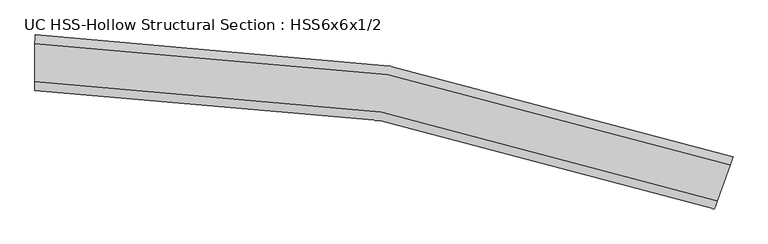
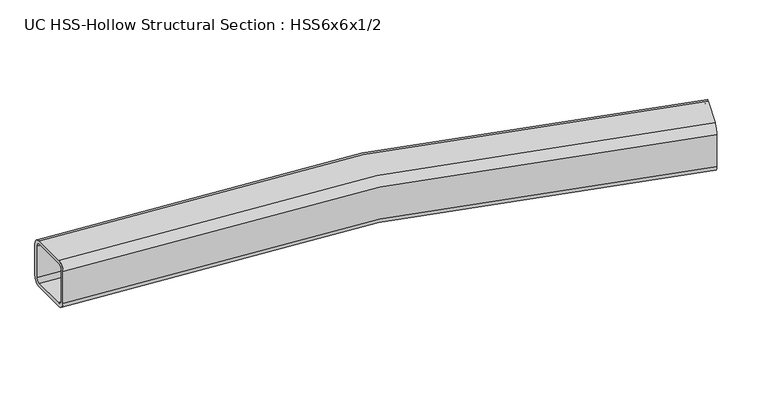
"""IFC4 building model written with IfcOpenShell, lengths in millimetres: beam geometry, UC HSS-Hollow Structural Section : HSS6x6x1/2."""

import ifcopenshell
import ifcopenshell.guid

model = None  # the IFC model being written
_history = None  # IfcOwnerHistory: only IFC2X3 demands one
_inside = {}  # id of a spatial element -> (the spatial element, [elements in it])
_under = {}  # id of a project, library or spatial element -> (it, [spatial elements below it])
_declared = {}  # id of a project -> (the project, [libraries it declares])
_typed = {}  # id of a type object -> (the type object, [elements of that type])
_made_of = {}  # id of a material, layer set ... -> (it, [elements and type objects made of it])


def new_model(schema):
    """Start an empty IFC model of exactly this schema.

    Asked for "IFC4X3", IfcOpenShell would pick the latest addendum, in which some entities
    have other attributes; the version numbers below select the first issue.
    IFC2X3 requires an IfcOwnerHistory on every rooted entity: one is made here for all.
    """
    global model, _history
    if schema == "IFC4X3":
        model = ifcopenshell.file(schema_version=(4, 3, 0, 0))
    else:
        model = ifcopenshell.file(schema=schema)
    _inside.clear()
    _under.clear()
    _declared.clear()
    _typed.clear()
    _made_of.clear()
    _history = None
    if model.schema == "IFC2X3":
        org = make("IfcOrganization", Name="unknown")
        user = make(
            "IfcPersonAndOrganization",
            ThePerson=make("IfcPerson", FamilyName="unknown"),
            TheOrganization=org,
        )
        app = make(
            "IfcApplication",
            ApplicationDeveloper=org,
            Version="unknown",
            ApplicationFullName="unknown",
            ApplicationIdentifier="unknown",
        )
        _history = make(
            "IfcOwnerHistory",
            OwningUser=user,
            OwningApplication=app,
            ChangeAction="ADDED",
            CreationDate=0,
        )
    return model


def make(cls, **values):
    """One entity of the class cls with the attributes given. An attribute that is None is left unset."""
    return model.create_entity(
        cls, **{name: value for name, value in values.items() if value is not None}
    )


def rooted(cls, **values):
    """An entity with a GlobalId (a new one), such as an element, a storey or a relation."""
    return make(cls, GlobalId=ifcopenshell.guid.new(), OwnerHistory=_history, **values)


def si_unit(unit_type, name, prefix=None):
    """IfcSIUnit, for example si_unit("LENGTHUNIT", "METRE", prefix="MILLI")."""
    return make("IfcSIUnit", UnitType=unit_type, Prefix=prefix, Name=name)


def assignment(units):
    """IfcUnitAssignment: the units of a project."""
    return None if units is None else make("IfcUnitAssignment", Units=units)


def point(xyz):
    """IfcCartesianPoint."""
    return None if xyz is None else make("IfcCartesianPoint", Coordinates=xyz)


def direction(xyz):
    """IfcDirection."""
    return None if xyz is None else make("IfcDirection", DirectionRatios=xyz)


def frame(location, z_axis=None, x_axis=None):
    """IfcAxis2Placement3D, a coordinate frame: its origin and axes. An axis left out is left unset."""
    return make(
        "IfcAxis2Placement3D",
        Location=point(location),
        Axis=direction(z_axis),
        RefDirection=direction(x_axis),
    )


def origin():
    """The frame at (0, 0, 0) with its axes left unset."""
    return frame((0.0, 0.0, 0.0))


def place(relative_to, where):
    """IfcLocalPlacement: puts the frame where relative to a parent placement (None: the world)."""
    return make(
        "IfcLocalPlacement", PlacementRelTo=relative_to, RelativePlacement=where
    )


def context(
    kind, dimensions, precision=None, world=None, true_north=None, identifier=None
):
    """IfcGeometricRepresentationContext, for example the 3D "Model" context."""
    return make(
        "IfcGeometricRepresentationContext",
        ContextIdentifier=identifier,
        ContextType=kind,
        CoordinateSpaceDimension=dimensions,
        Precision=precision,
        WorldCoordinateSystem=world,
        TrueNorth=true_north,
    )


def project(units=None, contexts=None):
    """IfcProject with its units and contexts."""
    return rooted(
        "IfcProject",
        Name="project",
        RepresentationContexts=contexts,
        UnitsInContext=assignment(units),
    )


def spatial(cls, under=None, at=None, **own):
    """A site, building, storey or space (cls), placed at a placement, below another one or the project."""
    s = rooted(cls, ObjectPlacement=at, **own)
    if under is not None:
        _under.setdefault(under.id(), (under, []))[1].append(s)
    return s


def polyline(points):
    """IfcPolyline through the points."""
    return make("IfcPolyline", Points=[point(p) for p in points])


def circle_curve(where, radius):
    """IfcCircle in the frame where."""
    return make("IfcCircle", Position=where, Radius=radius)


def ellipse_curve(where, semi_axis1, semi_axis2):
    """IfcEllipse in the frame where."""
    return make(
        "IfcEllipse", Position=where, SemiAxis1=semi_axis1, SemiAxis2=semi_axis2
    )


def trimmed(basis, trim1, trim2, sense, master):
    """IfcTrimmedCurve: the piece of a basis curve between two trims."""
    return make(
        "IfcTrimmedCurve",
        BasisCurve=basis,
        Trim1=trim1,
        Trim2=trim2,
        SenseAgreement=sense,
        MasterRepresentation=master,
    )


def shape(context_of_items, identifier, shape_type, items):
    """IfcShapeRepresentation: the items that make up one representation, for example the "Body"."""
    return make(
        "IfcShapeRepresentation",
        ContextOfItems=context_of_items,
        RepresentationIdentifier=identifier,
        RepresentationType=shape_type,
        Items=items,
    )


def source(mapping_origin, context_of_items, identifier, shape_type, items):
    """IfcRepresentationMap: a shape defined once, which mapped items show again and again."""
    return make(
        "IfcRepresentationMap",
        MappingOrigin=mapping_origin,
        MappedRepresentation=shape(context_of_items, identifier, shape_type, items),
    )


def transform(
    local_origin,
    x_axis=None,
    y_axis=None,
    z_axis=None,
    scale=None,
    scale2=None,
    scale3=None,
    uniform=True,
):
    """IfcCartesianTransformationOperator3D, or its non-uniform kind. x_axis, y_axis, z_axis: its Axis1, 2, 3."""
    if uniform:
        return make(
            "IfcCartesianTransformationOperator3D",
            Axis1=direction(x_axis),
            Axis2=direction(y_axis),
            LocalOrigin=point(local_origin),
            Scale=scale,
            Axis3=direction(z_axis),
        )
    return make(
        "IfcCartesianTransformationOperator3DnonUniform",
        Axis1=direction(x_axis),
        Axis2=direction(y_axis),
        LocalOrigin=point(local_origin),
        Scale=scale,
        Axis3=direction(z_axis),
        Scale2=scale2,
        Scale3=scale3,
    )


def mapped(mapping_source, mapping_target):
    """IfcMappedItem: shows the shape of a source again, moved by a transform."""
    return make(
        "IfcMappedItem", MappingSource=mapping_source, MappingTarget=mapping_target
    )


def made_of(thing, what):
    """Note that an element or type object is made of a material, layer set ...; save() writes the relation."""
    if what is not None:
        _made_of.setdefault(what.id(), (what, []))[1].append(thing)
    return thing


def element(
    cls,
    number,
    at=None,
    inside=None,
    cuts=None,
    type_object=None,
    material=None,
    context=None,
    identifier="Body",
    shape_type=None,
    held_by="IfcProductDefinitionShape",
    body=None,
    shapes=None,
    **own,
):
    """One element of the class cls, such as IfcWall. Its Tag is "e" and its number.

    at: its placement. inside: the storey or other place that contains it. cuts: it is an
    opening in that element (IfcRelVoidsElement). A single representation is given by context,
    identifier, shape_type and body (its items); several are given by shapes. held_by: the class
    of the entity that holds the representations. save() writes the other relations.
    """
    e = rooted(cls, Tag="e%d" % number, ObjectPlacement=at, **own)
    if body is not None:
        shapes = [shape(context, identifier, shape_type, body)]
    if shapes is not None:
        e.Representation = make(held_by, Representations=shapes)
    if inside is not None:
        _inside.setdefault(inside.id(), (inside, []))[1].append(e)
    if cuts is not None:
        rooted(
            "IfcRelVoidsElement", RelatingBuildingElement=cuts, RelatedOpeningElement=e
        )
    if type_object is not None:
        _typed.setdefault(type_object.id(), (type_object, []))[1].append(e)
    return made_of(e, material)


def aggregate(whole, parts):
    """IfcRelAggregates: a whole, such as a stair, and the parts it consists of."""
    return rooted("IfcRelAggregates", RelatingObject=whole, RelatedObjects=parts)


def save(model, path):
    """Write the relations noted so far, then the file.

    IfcRelAggregates (storeys below a building ...), IfcRelContainedInSpatialStructure (elements
    in a storey), IfcRelDefinesByType, IfcRelAssociatesMaterial and IfcRelDeclares: one each for
    every whole, place, type object, material and project.
    """
    for whole, parts in _under.values():
        aggregate(whole, parts)
    for where, things in _inside.values():
        rooted(
            "IfcRelContainedInSpatialStructure",
            RelatedElements=things,
            RelatingStructure=where,
        )
    for kind, things in _typed.values():
        rooted("IfcRelDefinesByType", RelatedObjects=things, RelatingType=kind)
    for what, things in _made_of.values():
        rooted("IfcRelAssociatesMaterial", RelatedObjects=things, RelatingMaterial=what)
    for by, libraries in _declared.values():
        rooted("IfcRelDeclares", RelatingContext=by, RelatedDefinitions=libraries)
    model.write(path)


def plane_surface(at):
    """IfcPlane: the flat surface through the origin of the frame at, square to its z axis."""
    return make("IfcPlane", Position=at)


def cylinder_surface(at, radius):
    """IfcCylindricalSurface: all points at the distance radius from the z axis of the frame at."""
    return make("IfcCylindricalSurface", Position=at, Radius=radius)


def revolved_surface(curve, axis_point, axis_direction):
    """IfcSurfaceOfRevolution: the curve turned about the line through axis_point along axis_direction."""
    return make(
        "IfcSurfaceOfRevolution",
        SweptCurve=make("IfcArbitraryOpenProfileDef", ProfileType="CURVE", Curve=curve),
        AxisPosition=make("IfcAxis1Placement", Location=point(axis_point), Axis=direction(axis_direction)),
    )


def advanced_brep(points, edges, surfaces, faces):
    """IfcAdvancedBrep: a solid bounded by faces that lie on surfaces and meet in shared edges.

    An edge is (start, end): straight between two places in points (the first is 0);
    or (start, end, curve); or (start, end, curve, False) where it runs against its curve.
    A face is (place in surfaces, loops), or (place, loops, False) where it looks against
    its surface's normal. A loop lists edges by number (the first is 1), with a minus sign
    where the edge is run from its end to its start. The first loop is the outer one.
    """
    corners = [point(p) for p in points]
    vertices = [make("IfcVertexPoint", VertexGeometry=c) for c in corners]
    made = []
    for start, end, *more in edges:
        made.append(
            make(
                "IfcEdgeCurve",
                EdgeStart=vertices[start],
                EdgeEnd=vertices[end],
                EdgeGeometry=more[0] if more else make("IfcPolyline", Points=[corners[start], corners[end]]),
                SameSense=more[1] if len(more) > 1 else True,
            )
        )
    hull = []
    for where, loops, *sense in faces:
        bounds = []
        for j, loop in enumerate(loops):
            ring = [make("IfcOrientedEdge", EdgeElement=made[abs(k) - 1], Orientation=k > 0) for k in loop]
            bounds.append(
                make(
                    "IfcFaceOuterBound" if j == 0 else "IfcFaceBound",
                    Bound=make("IfcEdgeLoop", EdgeList=ring),
                    Orientation=True,
                )
            )
        hull.append(make("IfcAdvancedFace", Bounds=bounds, FaceSurface=surfaces[where], SameSense=sense[0] if sense else True))
    return make("IfcAdvancedBrep", Outer=make("IfcClosedShell", CfsFaces=hull))


def uc_hss_hollow_structural_section_hss6x6x1_2_f3c2bc9d(model_context):
    return source(origin(), model_context, "Body", "AdvancedBrep", [
        advanced_brep(
        [(1922.2670403, -258.4320915, 52.578), (1914.2846141, -280.6644947, 76.2), (1878.7499424, -379.634548, 76.2), (1870.7675162, -401.8669513, 52.578), (1870.7675162, -401.8669513, -52.578), (1878.7499424, -379.634548, -76.2), (1914.2846141, -280.6644947, -76.2), (1922.2670403, -258.4320915, -52.578), (1878.7499424, -379.634548, 64.389), (1914.2846141, -280.6644947, 64.389), (1918.2758272, -269.5482931, 52.578), (1918.2758272, -269.5482931, -52.578), (1914.2846141, -280.6644947, -64.389), (1878.7499424, -379.634548, -64.389), (1874.7587293, -390.7507496, -52.578), (1874.7587293, -390.7507496, 52.578), (10.5442773, 76.1902274, 52.578), (10.5442773, 76.1902274, -52.578), (10.500491, 52.568268, -76.2), (10.3055714, -52.5875513, -76.2), (10.2617852, -76.2095107, -52.578), (10.2617852, -76.2095107, 52.578), (10.3055714, -52.5875513, 76.2), (10.500491, 52.568268, 76.2), (10.3055714, -52.5875513, 64.389), (10.2836783, -64.398531, 52.578), (10.2836783, -64.398531, -52.578), (10.3055714, -52.5875513, -64.389), (10.500491, 52.568268, -64.389), (10.5223841, 64.3792477, -52.578), (10.5223841, 64.3792477, 52.578), (10.500491, 52.568268, 64.389)],
        [
            (0, 1, circle_curve(frame((1914.2846141, -280.6644947, 52.578), z_axis=(0.9411736208787442, -0.3379233868230989, 0.0), x_axis=(-0.3379233868230989, -0.9411736208787442, 0.0)), 23.622)),
            (1, 2),
            (2, 3, circle_curve(frame((1878.7499424, -379.634548, 52.578), z_axis=(0.9411736208787442, -0.3379233868230989, 0.0), x_axis=(-0.3379233868230989, -0.9411736208787442, 0.0)), 23.622)),
            (3, 4),
            (4, 5, circle_curve(frame((1878.7499424, -379.634548, -52.578), z_axis=(0.9411736208787442, -0.3379233868230989, 0.0), x_axis=(-0.3379233868230989, -0.9411736208787442, 0.0)), 23.622)),
            (5, 6),
            (6, 7, circle_curve(frame((1914.2846141, -280.6644947, -52.578), z_axis=(0.9411736208787442, -0.3379233868230989, 0.0), x_axis=(-0.3379233868230989, -0.9411736208787442, 0.0)), 23.622)),
            (7, 0),
            (8, 9),
            (9, 10, circle_curve(frame((1914.2846141, -280.6644947, 52.578), z_axis=(-0.9411736208787442, 0.3379233868230989, 0.0), x_axis=(-0.3379233868230989, -0.9411736208787442, 0.0)), 11.811)),
            (10, 11),
            (11, 12, circle_curve(frame((1914.2846141, -280.6644947, -52.578), z_axis=(-0.9411736208787445, 0.33792338682309847, 0.0), x_axis=(-0.33792338682309847, -0.9411736208787445, 0.0)), 11.811)),
            (12, 13),
            (13, 14, circle_curve(frame((1878.7499424, -379.634548, -52.578), z_axis=(-0.9411736208787445, 0.33792338682309847, 0.0), x_axis=(-0.33792338682309847, -0.9411736208787445, 0.0)), 11.811)),
            (14, 15),
            (15, 8, circle_curve(frame((1878.7499424, -379.634548, 52.578), z_axis=(-0.9411736208787442, 0.3379233868230989, 0.0), x_axis=(-0.3379233868230989, -0.9411736208787442, 0.0)), 11.811)),
            (16, 17),
            (17, 18, circle_curve(frame((10.500491, 52.568268, -52.578), z_axis=(-0.9999982820399018, 0.0018536227353744827, 0.0), x_axis=(-0.0018536227353744827, -0.9999982820399018, 0.0)), 23.622)),
            (18, 19),
            (19, 20, circle_curve(frame((10.3055714, -52.5875513, -52.578), z_axis=(-0.9999982820399018, 0.0018536227353744827, 0.0), x_axis=(-0.0018536227353744827, -0.9999982820399018, 0.0)), 23.622)),
            (20, 21),
            (21, 22, circle_curve(frame((10.3055714, -52.5875513, 52.578), z_axis=(-0.9999982820399018, 0.0018536227353744827, 0.0), x_axis=(-0.0018536227353744827, -0.9999982820399018, 0.0)), 23.622)),
            (22, 23),
            (23, 16, circle_curve(frame((10.500491, 52.568268, 52.578), z_axis=(-0.9999982820399018, 0.0018536227353744827, 0.0), x_axis=(-0.0018536227353744827, -0.9999982820399018, 0.0)), 23.622)),
            (24, 25, circle_curve(frame((10.3055714, -52.5875513, 52.578), z_axis=(0.9999982820399018, -0.0018536227353744827, 0.0), x_axis=(-0.0018536227353744827, -0.9999982820399018, 0.0)), 11.811)),
            (25, 26),
            (26, 27, circle_curve(frame((10.3055714, -52.5875513, -52.578), z_axis=(0.9999982820399018, -0.0018536227353744827, 0.0), x_axis=(-0.0018536227353744827, -0.9999982820399018, 0.0)), 11.811)),
            (27, 28),
            (28, 29, circle_curve(frame((10.500491, 52.568268, -52.578), z_axis=(0.9999982820399018, -0.0018536227353744827, 0.0), x_axis=(-0.0018536227353744827, -0.9999982820399018, 0.0)), 11.811)),
            (29, 30),
            (30, 31, circle_curve(frame((10.500491, 52.568268, 52.578), z_axis=(0.9999982820399018, -0.0018536227353744827, 0.0), x_axis=(-0.0018536227353744827, -0.9999982820399018, 0.0)), 11.811)),
            (31, 24),
            (0, 16, circle_curve(frame((0.0, -5612.2699766, 52.578), z_axis=(0.0, 0.0, 1.0), x_axis=(-0.905831646817391, -0.42363784961225254, 0.0)), 5688.4699766)),
            (23, 1, circle_curve(frame((0.0, -5612.2699766, 76.2), z_axis=(0.0, 0.0, -1.0), x_axis=(-0.905831646817391, -0.42363784961225254, 0.0)), 5664.8479766)),
            (22, 2, circle_curve(frame((0.0, -5612.2699766, 76.2), z_axis=(0.0, 0.0, -1.0), x_axis=(-0.905831646817391, -0.42363784961225254, 0.0)), 5559.6919766)),
            (21, 3, circle_curve(frame((0.0, -5612.2699766, 52.578), z_axis=(0.0, 0.0, -1.0), x_axis=(-0.905831646817391, -0.42363784961225254, 0.0)), 5536.0699766)),
            (20, 4, circle_curve(frame((0.0, -5612.2699766, -52.578), z_axis=(0.0, 0.0, -1.0), x_axis=(-0.905831646817391, -0.42363784961225254, 0.0)), 5536.0699766)),
            (19, 5, circle_curve(frame((0.0, -5612.2699766, -76.2), z_axis=(0.0, 0.0, -1.0), x_axis=(-0.905831646817391, -0.42363784961225254, 0.0)), 5559.6919766)),
            (18, 6, circle_curve(frame((0.0, -5612.2699766, -76.2), z_axis=(0.0, 0.0, -1.0), x_axis=(-0.905831646817391, -0.42363784961225254, 0.0)), 5664.8479766)),
            (17, 7, circle_curve(frame((0.0, -5612.2699766, -52.578), z_axis=(0.0, 0.0, -1.0), x_axis=(-0.905831646817391, -0.42363784961225254, 0.0)), 5688.4699766)),
            (8, 24, circle_curve(frame((0.0, -5612.2699766, 64.389), z_axis=(0.0, 0.0, 1.0), x_axis=(-0.905831646817391, -0.42363784961225254, 0.0)), 5559.6919766)),
            (31, 9, circle_curve(frame((0.0, -5612.2699766, 64.389), z_axis=(0.0, 0.0, -1.0), x_axis=(-0.905831646817391, -0.42363784961225254, 0.0)), 5664.8479766)),
            (30, 10, circle_curve(frame((0.0, -5612.2699766, 52.578), z_axis=(0.0, 0.0, -1.0), x_axis=(-0.905831646817391, -0.42363784961225254, 0.0)), 5676.6589766)),
            (29, 11, circle_curve(frame((0.0, -5612.2699766, -52.578), z_axis=(0.0, 0.0, -1.0), x_axis=(-0.905831646817391, -0.42363784961225254, 0.0)), 5676.6589766)),
            (28, 12, circle_curve(frame((0.0, -5612.2699766, -64.389), z_axis=(0.0, 0.0, -1.0), x_axis=(-0.905831646817391, -0.42363784961225254, 0.0)), 5664.8479766)),
            (27, 13, circle_curve(frame((0.0, -5612.2699766, -64.389), z_axis=(0.0, 0.0, -1.0), x_axis=(-0.905831646817391, -0.42363784961225254, 0.0)), 5559.6919766)),
            (26, 14, circle_curve(frame((0.0, -5612.2699766, -52.578), z_axis=(0.0, 0.0, -1.0), x_axis=(-0.905831646817391, -0.42363784961225254, 0.0)), 5547.8809766)),
            (25, 15, circle_curve(frame((0.0, -5612.2699766, 52.578), z_axis=(0.0, 0.0, -1.0), x_axis=(-0.905831646817391, -0.42363784961225254, 0.0)), 5547.8809766)),
        ],
        [
            plane_surface(frame((1896.5172783, -330.1495214, 0.0), z_axis=(0.9411736208787425, -0.33792338682310447, 0.0), x_axis=(0.0, 0.0, 1.0))),
            plane_surface(frame((10.4030312, -0.0096417, 0.0), z_axis=(-0.9999982820399018, 0.0018536227353808665, 0.0), x_axis=(0.0, 0.0, 1.0))),
            revolved_surface(trimmed(ellipse_curve(frame((-5131.3985716, -8012.1139918, 52.578), z_axis=(0.4236378496122576, -0.9058316468173887, 0.0), x_axis=(0.9058316468173887, 0.4236378496122576, 0.0)), 23.622, 23.622), [point((-5131.3985716, -8012.1139918, 76.2))], [point((-5152.7961268, -8022.121165, 52.578))], True, "CARTESIAN"), (0.0, -5612.2699766, 0.0), (0.0, 0.0, -1.0000000000000002)),
            plane_surface(frame((0.0, -5612.2699766, 76.2), z_axis=(0.0, 0.0, 1.0000000000000002), x_axis=(-0.905831646817391, -0.42363784961225254, 0.0))),
            revolved_surface(trimmed(ellipse_curve(frame((-5036.1449389, -7967.56593, 52.578), z_axis=(0.4236378496122576, -0.9058316468173887, 0.0), x_axis=(0.9058316468173887, 0.4236378496122576, 0.0)), 23.622, 23.622), [point((-5014.7473838, -7957.5587568, 52.578))], [point((-5036.1449389, -7967.56593, 76.2))], True, "CARTESIAN"), (0.0, -5612.2699766, 0.0), (0.0, 0.0, -1.0000000000000002)),
            revolved_surface(polyline([(-5014.747383799893, -7957.558756789776, -52.57800000000003), (-5014.747383799893, -7957.558756789776, 52.57800000000003)]), (0.0, -5612.2699766, 0.0), (0.0, 0.0, -1.0000000000000002)),
            revolved_surface(trimmed(ellipse_curve(frame((-5036.1449389, -7967.56593, -52.578), z_axis=(0.4236378496122576, -0.9058316468173887, 0.0), x_axis=(0.9058316468173887, 0.4236378496122576, 0.0)), 23.622, 23.622), [point((-5036.1449389, -7967.56593, -76.2))], [point((-5014.7473838, -7957.5587568, -52.578))], True, "CARTESIAN"), (0.0, -5612.2699766, 0.0), (0.0, 0.0, -1.0000000000000002)),
            plane_surface(frame((0.0, -5612.2699766, -76.2), z_axis=(0.0, 0.0, -1.0000000000000002), x_axis=(-0.905831646817391, -0.42363784961225254, 0.0))),
            revolved_surface(trimmed(ellipse_curve(frame((-5131.3985716, -8012.1139918, -52.578), z_axis=(0.4236378496122576, -0.9058316468173887, 0.0), x_axis=(0.9058316468173887, 0.4236378496122576, 0.0)), 23.622, 23.622), [point((-5152.7961268, -8022.121165, -52.578))], [point((-5131.3985716, -8012.1139918, -76.2))], True, "CARTESIAN"), (0.0, -5612.2699766, 0.0), (0.0, 0.0, -1.0000000000000002)),
            cylinder_surface(frame((0.0, -5612.2699766, 0.0), z_axis=(0.0, 0.0, -1.0000000000000002), x_axis=(-0.905831646817391, -0.42363784961225254, 0.0)), 5688.4699766),
            plane_surface(frame((0.0, -5612.2699766, 64.389), z_axis=(0.0, 0.0, -1.0000000000000002), x_axis=(-0.905831646817391, -0.42363784961225254, 0.0))),
            revolved_surface(trimmed(ellipse_curve(frame((-5131.3985716, -8012.1139918, 52.578), z_axis=(-0.4236378496122576, 0.9058316468173887, 0.0), x_axis=(0.9058316468173887, 0.4236378496122576, 0.0)), 11.811, 11.811), [point((-5142.0973492, -8017.1175784, 52.578))], [point((-5131.3985716, -8012.1139918, 64.389))], True, "CARTESIAN"), (0.0, -5612.2699766, 0.0), (0.0, 0.0, -1.0000000000000002)),
            revolved_surface(polyline([(-5142.097349194303, -8017.1175784289135, -52.57800000000003), (-5142.097349194303, -8017.1175784289135, 52.57800000000003)]), (0.0, -5612.2699766, 0.0), (0.0, 0.0, -1.0000000000000002)),
            revolved_surface(trimmed(ellipse_curve(frame((-5131.3985716, -8012.1139918, -52.578), z_axis=(-0.4236378496122576, 0.9058316468173887, 0.0), x_axis=(0.9058316468173887, 0.4236378496122576, 0.0)), 11.811, 11.811), [point((-5131.3985716, -8012.1139918, -64.389))], [point((-5142.0973492, -8017.1175784, -52.578))], True, "CARTESIAN"), (0.0, -5612.2699766, 0.0), (0.0, 0.0, -1.0000000000000002)),
            plane_surface(frame((0.0, -5612.2699766, -64.389), z_axis=(0.0, 0.0, 1.0000000000000002), x_axis=(-0.905831646817391, -0.42363784961225254, 0.0))),
            revolved_surface(trimmed(ellipse_curve(frame((-5036.1449389, -7967.56593, -52.578), z_axis=(-0.4236378496122576, 0.9058316468173887, 0.0), x_axis=(0.9058316468173887, 0.4236378496122576, 0.0)), 11.811, 11.811), [point((-5025.4461614, -7962.5623434, -52.578))], [point((-5036.1449389, -7967.56593, -64.389))], True, "CARTESIAN"), (0.0, -5612.2699766, 0.0), (0.0, 0.0, -1.0000000000000002)),
            cylinder_surface(frame((0.0, -5612.2699766, 0.0), z_axis=(0.0, 0.0, -1.0000000000000002), x_axis=(-0.905831646817391, -0.42363784961225254, 0.0)), 5547.8809766),
            revolved_surface(trimmed(ellipse_curve(frame((-5036.1449389, -7967.56593, 52.578), z_axis=(-0.4236378496122576, 0.9058316468173887, 0.0), x_axis=(0.9058316468173887, 0.4236378496122576, 0.0)), 11.811, 11.811), [point((-5036.1449389, -7967.56593, 64.389))], [point((-5025.4461614, -7962.5623434, 52.578))], True, "CARTESIAN"), (0.0, -5612.2699766, 0.0), (0.0, 0.0, -1.0000000000000002)),
        ],
        [
            (0, [[1, 2, 3, 4, 5, 6, 7, 8], [9, 10, 11, 12, 13, 14, 15, 16]]),
            (1, [[17, 18, 19, 20, 21, 22, 23, 24], [25, 26, 27, 28, 29, 30, 31, 32]]),
            (2, [[-1, 33, -24, 34]]),
            (3, [[-2, -34, -23, 35]]),
            (4, [[-3, -35, -22, 36]]),
            (5, [[-4, -36, -21, 37]]),
            (6, [[-5, -37, -20, 38]]),
            (7, [[-6, -38, -19, 39]]),
            (8, [[-7, -39, -18, 40]]),
            (9, [[-8, -40, -17, -33]]),
            (10, [[-9, 41, -32, 42]]),
            (11, [[-10, -42, -31, 43]]),
            (12, [[-11, -43, -30, 44]]),
            (13, [[-12, -44, -29, 45]]),
            (14, [[-13, -45, -28, 46]]),
            (15, [[-14, -46, -27, 47]]),
            (16, [[-15, -47, -26, 48]]),
            (17, [[-16, -48, -25, -41]]),
        ],
    ),
    ])


if __name__ == "__main__":
    model = new_model("IFC4")
    model_context = context("Model", 3, world=origin())
    ifc_project = project(units=[si_unit("LENGTHUNIT", "METRE", prefix="MILLI")], contexts=[model_context])
    site = spatial("IfcSite", under=ifc_project)
    building = spatial("IfcBuilding", under=site)
    placement = place(None, origin())
    uc_hss_hollow_structural_section_hss6x6x1_2_shape = uc_hss_hollow_structural_section_hss6x6x1_2_f3c2bc9d(model_context)
    element("IfcBeam", 1, ObjectType="UC HSS-Hollow Structural Section : HSS6x6x1/2", at=placement, inside=building, context=model_context, shape_type="MappedRepresentation", body=[
        mapped(uc_hss_hollow_structural_section_hss6x6x1_2_shape, transform((0.0, 0.0, 0.0), x_axis=(1.0, 0.0, 0.0), y_axis=(0.0, 1.0, 0.0), z_axis=(0.0, 0.0, 1.0))),
    ])
    save(model, "model.ifc")
